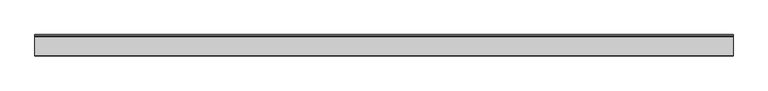
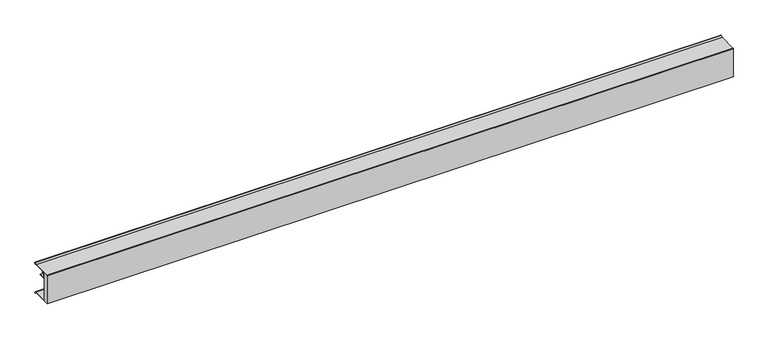
"""IFC4 building model written with IfcOpenShell, lengths in millimetres: proxy geometry."""

from ifc_helpers import new_model, si_unit, point, frame, frame_2d, origin, place, context, project, spatial, polyline, circle_curve, trimmed, segment, composite_curve, outline, extrude, source, transform, mapped, element, save


def specialty_equipment_119d330b(model_context):
    return source(origin(), model_context, "Body", "SweptSolid", [
        extrude(outline(composite_curve([segment(polyline([(84.2845729, 38.6991105), (83.3664989, 39.1343073), (86.6833746, 46.1314568)]), True, "CONTINUOUS"), segment(trimmed(circle_curve(frame_2d((85.5659738, 46.312487)), 1.1319702), [point((86.6833746, 46.1314568))], [point((84.8585816, 47.1962023))], True, "CARTESIAN"), True, "CONTINUOUS"), segment(polyline([(84.8585816, 47.1962023), (77.3330614, 39.6706822), (0.508, 39.6706822)]), True, "CONTINUOUS"), segment(trimmed(circle_curve(frame_2d((0.508, 39.1626822)), 0.508), [point((0.508, 39.6706822))], [point((0.0, 39.1626822))], True, "CARTESIAN"), True, "CONTINUOUS"), segment(polyline([(0.0, 39.1626822), (0.0, -117.9937142), (77.6452525, -117.9937142), (84.9491753, -125.297637)]), True, "CONTINUOUS"), segment(trimmed(circle_curve(frame_2d((85.2410207, -124.0176315)), 1.3128548), [point((84.9491753, -125.297637))], [point((86.4483719, -123.5019856))], True, "CARTESIAN"), True, "CONTINUOUS"), segment(polyline([(86.4483719, -123.5019856), (84.7304835, -118.7713), (85.6854666, -118.42451), (87.3951284, -123.1325414)]), True, "CONTINUOUS"), segment(trimmed(circle_curve(frame_2d((85.2410207, -124.0176315)), 2.3288548), [point((87.3951284, -123.1325414))], [point((84.4065446, -126.1918474))], False, "CARTESIAN"), True, "CONTINUOUS"), segment(polyline([(84.4065446, -126.1918474), (77.2244115, -119.0097142), (-25.5276818, -119.0097142), (-25.5276818, 39.6706822)]), True, "CONTINUOUS"), segment(trimmed(circle_curve(frame_2d((-24.5116818, 39.6706822)), 1.016), [point((-25.5276818, 39.6706822))], [point((-24.5116818, 40.6866822))], False, "CARTESIAN"), True, "CONTINUOUS"), segment(polyline([(-24.5116818, 40.6866822), (76.9122205, 40.6866822), (84.2236616, 47.9893811)]), True, "CONTINUOUS"), segment(trimmed(circle_curve(frame_2d((85.5659738, 46.312487)), 2.1479702), [point((84.2236616, 47.9893811))], [point((87.6862978, 45.9689732))], False, "CARTESIAN"), True, "CONTINUOUS"), segment(polyline([(87.6862978, 45.9689732), (84.2845729, 38.6991105)]), True, "CONTINUOUS")], self_intersect=False)), frame((0.0, 0.0, 0.0), z_axis=(1.0, 0.0, 0.0), x_axis=(0.0, 1.0, 0.0)), (0.0, 0.0, 1.0), 3683.0),
        extrude(outline(polyline([(20.9756339, 32.611715), (3.96875, 32.611715), (3.96875, 7.7597004), (40.03675, 7.7597004), (40.03675, 5.7277005), (1.9367501, 5.7277005), (1.9367501, 34.6202), (20.9756339, 34.6202), (20.9756339, 32.611715)])), frame((0.0, 0.0, 0.0), z_axis=(1.0, 0.0, 0.0), x_axis=(0.0, 1.0, 0.0)), (0.0, 0.0, 1.0), 3683.0),
    ])


if __name__ == "__main__":
    model = new_model("IFC4")
    model_context = context("Model", 3, world=origin())
    ifc_project = project(units=[si_unit("LENGTHUNIT", "METRE", prefix="MILLI")], contexts=[model_context])
    site = spatial("IfcSite", under=ifc_project)
    building = spatial("IfcBuilding", under=site)
    placement = place(None, origin())
    specialty_equipment_shape = specialty_equipment_119d330b(model_context)
    element("IfcBuildingElementProxy", 1, Name="Specialty Equipment", at=placement, inside=building, context=model_context, shape_type="MappedRepresentation", body=[
        mapped(specialty_equipment_shape, transform((0.0, 0.0, 0.0), x_axis=(1.0, 0.0, 0.0), y_axis=(0.0, 1.0, 0.0), z_axis=(0.0, 0.0, 1.0))),
    ])
    save(model, "model.ifc")
